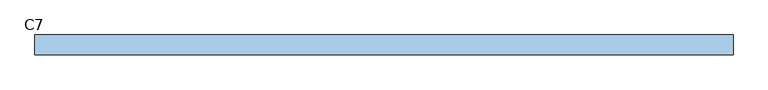
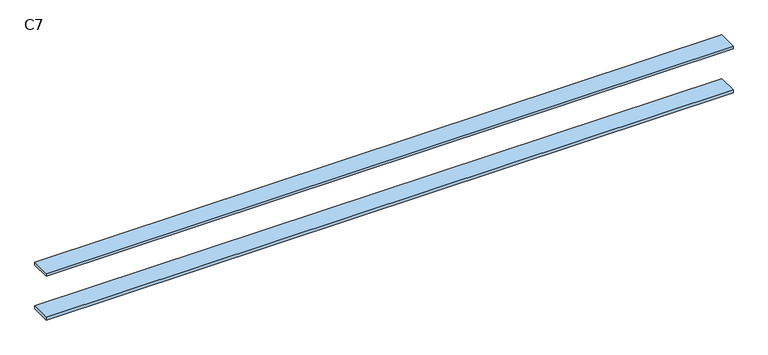
"""IFC4 building model written with IfcOpenShell, lengths in millimetres: window geometry, C7."""

from ifc_helpers import new_model, si_unit, frame, origin, place, context, project, spatial, polyline, outline, extrude, source, transform, mapped, element, save


def c7_53fb5f75(model_context):
    return source(origin(), model_context, "Body", "SweptSolid", [
        extrude(outline(polyline([(7000.0, -200.0), (-7000.0, -200.0), (-7000.0, 200.0), (7000.0, 200.0), (7000.0, -200.0)])), frame((0.0, 0.0, 1940.0), z_axis=(0.0, 0.0, 1.0), x_axis=(1.0, 0.0, 0.0)), (0.0, 0.0, 1.0), 60.0),
        extrude(outline(polyline([(7000.0, -200.0), (-7000.0, -200.0), (-7000.0, 200.0), (7000.0, 200.0), (7000.0, -200.0)])), frame((0.0, 0.0, 1000.0), z_axis=(0.0, 0.0, 1.0), x_axis=(1.0, 0.0, 0.0)), (0.0, 0.0, 1.0), 60.0),
    ])


if __name__ == "__main__":
    model = new_model("IFC4")
    model_context = context("Model", 3, world=origin())
    ifc_project = project(units=[si_unit("LENGTHUNIT", "METRE", prefix="MILLI")], contexts=[model_context])
    site = spatial("IfcSite", under=ifc_project)
    building = spatial("IfcBuilding", under=site)
    placement = place(None, origin())
    c7_shape = c7_53fb5f75(model_context)
    element("IfcWindow", 1, ObjectType="C7", at=placement, inside=building, context=model_context, shape_type="MappedRepresentation", body=[
        mapped(c7_shape, transform((0.0, 0.0, 0.0), x_axis=(1.0, 0.0, 0.0), y_axis=(0.0, 1.0, 0.0), z_axis=(0.0, 0.0, 1.0))),
    ])
    save(model, "model.ifc")
